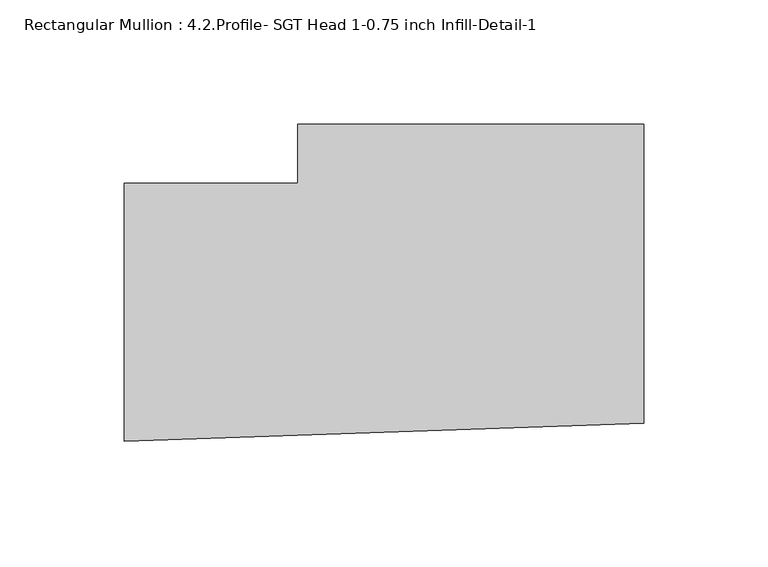
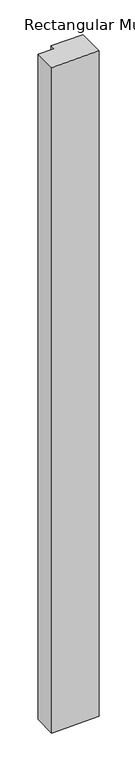
"""IFC4 building model written with IfcOpenShell, lengths in millimetres: member geometry, Rectangular Mullion : 4.2.Profile- SGT Head 1-0.75 inch Infill-Detail-1."""

from ifc_helpers import new_model, si_unit, frame, origin, place, context, project, spatial, polyline, outline, extrude, source, transform, mapped, element, save


def rectangular_mullion_4_2_profile_sgt_head_1_0_75_inch_infill_e25ea09b(model_context):
    return source(origin(), model_context, "Body", "SweptSolid", [
        extrude(outline(polyline([(-139.1621901, 31.6905694), (-139.1621901, 55.5156562), (0.0, 55.5156562), (0.0, -64.7883303), (-209.00826, -72.08706), (-209.00826, 31.6905694), (-139.1621901, 31.6905694)])), frame((0.0, 0.0, -3048.0), z_axis=(0.0, 0.0, 1.0), x_axis=(1.0, 0.0, 0.0)), (0.0, 0.0, 1.0), 3048.0),
    ])


if __name__ == "__main__":
    model = new_model("IFC4")
    model_context = context("Model", 3, world=origin())
    ifc_project = project(units=[si_unit("LENGTHUNIT", "METRE", prefix="MILLI")], contexts=[model_context])
    site = spatial("IfcSite", under=ifc_project)
    building = spatial("IfcBuilding", under=site)
    placement = place(None, origin())
    rectangular_mullion_4_2_profile_sgt_head_1_0_75_inch_infill_shape = rectangular_mullion_4_2_profile_sgt_head_1_0_75_inch_infill_e25ea09b(model_context)
    element("IfcMember", 1, ObjectType="Rectangular Mullion : 4.2.Profile- SGT Head 1-0.75 inch Infill-Detail-1", at=placement, inside=building, context=model_context, shape_type="MappedRepresentation", body=[
        mapped(rectangular_mullion_4_2_profile_sgt_head_1_0_75_inch_infill_shape, transform((0.0, 0.0, 0.0), x_axis=(1.0, 0.0, 0.0), y_axis=(0.0, 1.0, 0.0), z_axis=(0.0, 0.0, 1.0))),
    ])
    save(model, "model.ifc")
